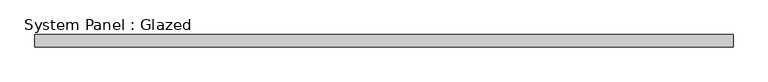
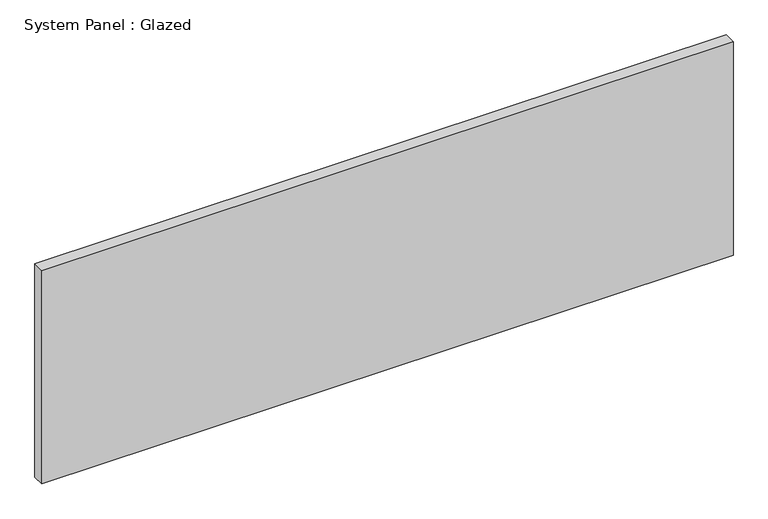
"""IFC4 building model written with IfcOpenShell, lengths in millimetres: plate geometry, System Panel : Glazed."""

from ifc_helpers import new_model, si_unit, origin, origin_with_axes, place, context, project, spatial, polyline, outline, extrude, source, transform, mapped, element, save


def system_panel_glazed_7c3c77cb(model_context):
    return source(origin(), model_context, "Body", "SweptSolid", [
        extrude(outline(polyline([(730.25, -12.7), (-730.25, -12.7), (-730.25, 12.7), (730.25, 12.7), (730.25, -12.7)])), origin_with_axes(), (0.0, 0.0, 1.0), 476.25),
    ])


if __name__ == "__main__":
    model = new_model("IFC4")
    model_context = context("Model", 3, world=origin())
    ifc_project = project(units=[si_unit("LENGTHUNIT", "METRE", prefix="MILLI")], contexts=[model_context])
    site = spatial("IfcSite", under=ifc_project)
    building = spatial("IfcBuilding", under=site)
    placement = place(None, origin())
    system_panel_glazed_shape = system_panel_glazed_7c3c77cb(model_context)
    element("IfcPlate", 1, ObjectType="System Panel : Glazed", at=placement, inside=building, context=model_context, shape_type="MappedRepresentation", body=[
        mapped(system_panel_glazed_shape, transform((0.0, 0.0, 0.0), x_axis=(1.0, 0.0, 0.0), y_axis=(0.0, 1.0, 0.0), z_axis=(0.0, 0.0, 1.0))),
    ])
    save(model, "model.ifc")
